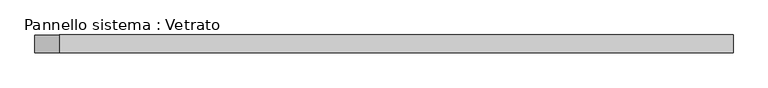
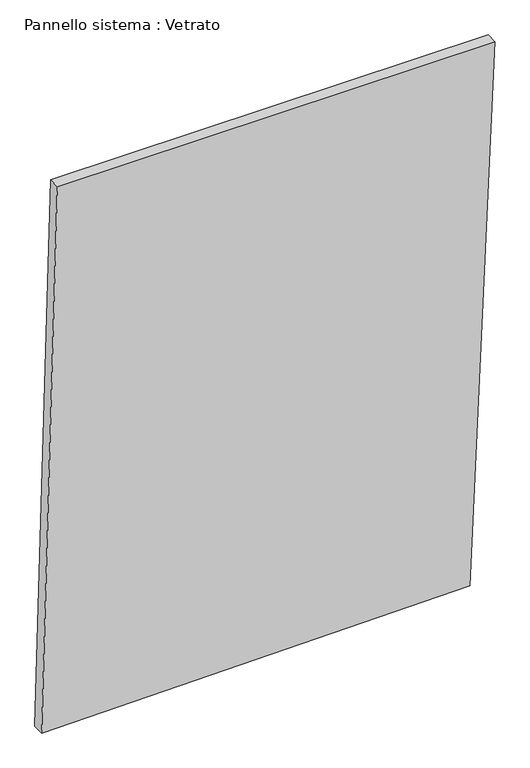
"""IFC4 building model written with IfcOpenShell, lengths in millimetres: plate geometry, Pannello sistema : Vetrato."""

from ifc_helpers import new_model, si_unit, frame, origin, place, context, project, spatial, polyline, outline, extrude, source, transform, mapped, element, save


def pannello_sistema_vetrato_d7b1abf6(model_context):
    return source(origin(), model_context, "Body", "SweptSolid", [
        extrude(outline(polyline([(0.0, -589.1896259), (14.6528323, 523.8965564), (1486.7888871, 589.1896259), (1486.7888871, -548.2980986), (0.0, -589.1896259)])), frame((0.0, -15.0, 0.0), z_axis=(0.0, 1.0, 0.0), x_axis=(0.0, 0.0, 1.0)), (0.0, 0.0, 1.0), 30.0),
    ])


if __name__ == "__main__":
    model = new_model("IFC4")
    model_context = context("Model", 3, world=origin())
    ifc_project = project(units=[si_unit("LENGTHUNIT", "METRE", prefix="MILLI")], contexts=[model_context])
    site = spatial("IfcSite", under=ifc_project)
    building = spatial("IfcBuilding", under=site)
    placement = place(None, origin())
    pannello_sistema_vetrato_shape = pannello_sistema_vetrato_d7b1abf6(model_context)
    element("IfcPlate", 1, ObjectType="Pannello sistema : Vetrato", at=placement, inside=building, context=model_context, shape_type="MappedRepresentation", body=[
        mapped(pannello_sistema_vetrato_shape, transform((0.0, 0.0, 0.0), x_axis=(1.0, 0.0, 0.0), y_axis=(0.0, 1.0, 0.0), z_axis=(0.0, 0.0, 1.0))),
    ])
    save(model, "model.ifc")
